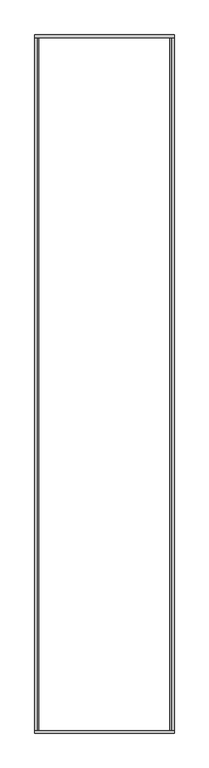
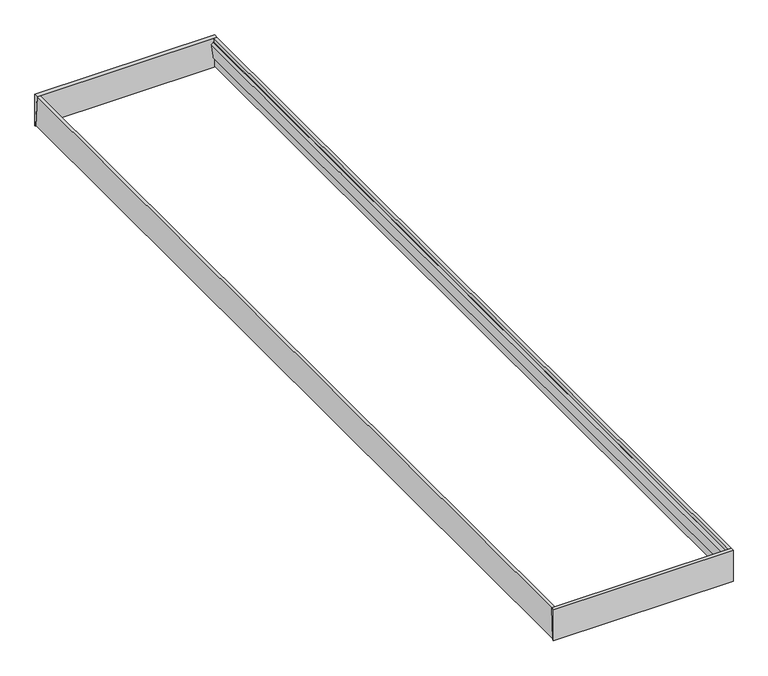
"""IFC4 building model written with IfcOpenShell, lengths in millimetres: beam geometry."""

import ifcopenshell
import ifcopenshell.guid

model = None  # the IFC model being written
_history = None  # IfcOwnerHistory: only IFC2X3 demands one
_inside = {}  # id of a spatial element -> (the spatial element, [elements in it])
_under = {}  # id of a project, library or spatial element -> (it, [spatial elements below it])
_declared = {}  # id of a project -> (the project, [libraries it declares])
_typed = {}  # id of a type object -> (the type object, [elements of that type])
_made_of = {}  # id of a material, layer set ... -> (it, [elements and type objects made of it])


def new_model(schema):
    """Start an empty IFC model of exactly this schema.

    Asked for "IFC4X3", IfcOpenShell would pick the latest addendum, in which some entities
    have other attributes; the version numbers below select the first issue.
    IFC2X3 requires an IfcOwnerHistory on every rooted entity: one is made here for all.
    """
    global model, _history
    if schema == "IFC4X3":
        model = ifcopenshell.file(schema_version=(4, 3, 0, 0))
    else:
        model = ifcopenshell.file(schema=schema)
    _inside.clear()
    _under.clear()
    _declared.clear()
    _typed.clear()
    _made_of.clear()
    _history = None
    if model.schema == "IFC2X3":
        org = make("IfcOrganization", Name="unknown")
        user = make(
            "IfcPersonAndOrganization",
            ThePerson=make("IfcPerson", FamilyName="unknown"),
            TheOrganization=org,
        )
        app = make(
            "IfcApplication",
            ApplicationDeveloper=org,
            Version="unknown",
            ApplicationFullName="unknown",
            ApplicationIdentifier="unknown",
        )
        _history = make(
            "IfcOwnerHistory",
            OwningUser=user,
            OwningApplication=app,
            ChangeAction="ADDED",
            CreationDate=0,
        )
    return model


def make(cls, **values):
    """One entity of the class cls with the attributes given. An attribute that is None is left unset."""
    return model.create_entity(
        cls, **{name: value for name, value in values.items() if value is not None}
    )


def rooted(cls, **values):
    """An entity with a GlobalId (a new one), such as an element, a storey or a relation."""
    return make(cls, GlobalId=ifcopenshell.guid.new(), OwnerHistory=_history, **values)


def si_unit(unit_type, name, prefix=None):
    """IfcSIUnit, for example si_unit("LENGTHUNIT", "METRE", prefix="MILLI")."""
    return make("IfcSIUnit", UnitType=unit_type, Prefix=prefix, Name=name)


def assignment(units):
    """IfcUnitAssignment: the units of a project."""
    return None if units is None else make("IfcUnitAssignment", Units=units)


def point(xyz):
    """IfcCartesianPoint."""
    return None if xyz is None else make("IfcCartesianPoint", Coordinates=xyz)


def direction(xyz):
    """IfcDirection."""
    return None if xyz is None else make("IfcDirection", DirectionRatios=xyz)


def frame(location, z_axis=None, x_axis=None):
    """IfcAxis2Placement3D, a coordinate frame: its origin and axes. An axis left out is left unset."""
    return make(
        "IfcAxis2Placement3D",
        Location=point(location),
        Axis=direction(z_axis),
        RefDirection=direction(x_axis),
    )


def origin():
    """The frame at (0, 0, 0) with its axes left unset."""
    return frame((0.0, 0.0, 0.0))


def place(relative_to, where):
    """IfcLocalPlacement: puts the frame where relative to a parent placement (None: the world)."""
    return make(
        "IfcLocalPlacement", PlacementRelTo=relative_to, RelativePlacement=where
    )


def context(
    kind, dimensions, precision=None, world=None, true_north=None, identifier=None
):
    """IfcGeometricRepresentationContext, for example the 3D "Model" context."""
    return make(
        "IfcGeometricRepresentationContext",
        ContextIdentifier=identifier,
        ContextType=kind,
        CoordinateSpaceDimension=dimensions,
        Precision=precision,
        WorldCoordinateSystem=world,
        TrueNorth=true_north,
    )


def project(units=None, contexts=None):
    """IfcProject with its units and contexts."""
    return rooted(
        "IfcProject",
        Name="project",
        RepresentationContexts=contexts,
        UnitsInContext=assignment(units),
    )


def spatial(cls, under=None, at=None, **own):
    """A site, building, storey or space (cls), placed at a placement, below another one or the project."""
    s = rooted(cls, ObjectPlacement=at, **own)
    if under is not None:
        _under.setdefault(under.id(), (under, []))[1].append(s)
    return s


def polyline(points):
    """IfcPolyline through the points."""
    return make("IfcPolyline", Points=[point(p) for p in points])


def outline(outer, holes=None, kind="AREA"):
    """IfcArbitraryClosedProfileDef: a profile drawn as a closed curve; with holes, ...WithVoids."""
    if holes is None:
        return make("IfcArbitraryClosedProfileDef", ProfileType=kind, OuterCurve=outer)
    return make(
        "IfcArbitraryProfileDefWithVoids",
        ProfileType=kind,
        OuterCurve=outer,
        InnerCurves=holes,
    )


def extrude(swept, where, along, depth):
    """IfcExtrudedAreaSolid: the profile swept, set in the frame where, extruded along a direction by depth."""
    return make(
        "IfcExtrudedAreaSolid",
        SweptArea=swept,
        Position=where,
        ExtrudedDirection=direction(along),
        Depth=depth,
    )


def shape(context_of_items, identifier, shape_type, items):
    """IfcShapeRepresentation: the items that make up one representation, for example the "Body"."""
    return make(
        "IfcShapeRepresentation",
        ContextOfItems=context_of_items,
        RepresentationIdentifier=identifier,
        RepresentationType=shape_type,
        Items=items,
    )


def source(mapping_origin, context_of_items, identifier, shape_type, items):
    """IfcRepresentationMap: a shape defined once, which mapped items show again and again."""
    return make(
        "IfcRepresentationMap",
        MappingOrigin=mapping_origin,
        MappedRepresentation=shape(context_of_items, identifier, shape_type, items),
    )


def transform(
    local_origin,
    x_axis=None,
    y_axis=None,
    z_axis=None,
    scale=None,
    scale2=None,
    scale3=None,
    uniform=True,
):
    """IfcCartesianTransformationOperator3D, or its non-uniform kind. x_axis, y_axis, z_axis: its Axis1, 2, 3."""
    if uniform:
        return make(
            "IfcCartesianTransformationOperator3D",
            Axis1=direction(x_axis),
            Axis2=direction(y_axis),
            LocalOrigin=point(local_origin),
            Scale=scale,
            Axis3=direction(z_axis),
        )
    return make(
        "IfcCartesianTransformationOperator3DnonUniform",
        Axis1=direction(x_axis),
        Axis2=direction(y_axis),
        LocalOrigin=point(local_origin),
        Scale=scale,
        Axis3=direction(z_axis),
        Scale2=scale2,
        Scale3=scale3,
    )


def mapped(mapping_source, mapping_target):
    """IfcMappedItem: shows the shape of a source again, moved by a transform."""
    return make(
        "IfcMappedItem", MappingSource=mapping_source, MappingTarget=mapping_target
    )


def made_of(thing, what):
    """Note that an element or type object is made of a material, layer set ...; save() writes the relation."""
    if what is not None:
        _made_of.setdefault(what.id(), (what, []))[1].append(thing)
    return thing


def element(
    cls,
    number,
    at=None,
    inside=None,
    cuts=None,
    type_object=None,
    material=None,
    context=None,
    identifier="Body",
    shape_type=None,
    held_by="IfcProductDefinitionShape",
    body=None,
    shapes=None,
    **own,
):
    """One element of the class cls, such as IfcWall. Its Tag is "e" and its number.

    at: its placement. inside: the storey or other place that contains it. cuts: it is an
    opening in that element (IfcRelVoidsElement). A single representation is given by context,
    identifier, shape_type and body (its items); several are given by shapes. held_by: the class
    of the entity that holds the representations. save() writes the other relations.
    """
    e = rooted(cls, Tag="e%d" % number, ObjectPlacement=at, **own)
    if body is not None:
        shapes = [shape(context, identifier, shape_type, body)]
    if shapes is not None:
        e.Representation = make(held_by, Representations=shapes)
    if inside is not None:
        _inside.setdefault(inside.id(), (inside, []))[1].append(e)
    if cuts is not None:
        rooted(
            "IfcRelVoidsElement", RelatingBuildingElement=cuts, RelatedOpeningElement=e
        )
    if type_object is not None:
        _typed.setdefault(type_object.id(), (type_object, []))[1].append(e)
    return made_of(e, material)


def aggregate(whole, parts):
    """IfcRelAggregates: a whole, such as a stair, and the parts it consists of."""
    return rooted("IfcRelAggregates", RelatingObject=whole, RelatedObjects=parts)


def save(model, path):
    """Write the relations noted so far, then the file.

    IfcRelAggregates (storeys below a building ...), IfcRelContainedInSpatialStructure (elements
    in a storey), IfcRelDefinesByType, IfcRelAssociatesMaterial and IfcRelDeclares: one each for
    every whole, place, type object, material and project.
    """
    for whole, parts in _under.values():
        aggregate(whole, parts)
    for where, things in _inside.values():
        rooted(
            "IfcRelContainedInSpatialStructure",
            RelatedElements=things,
            RelatingStructure=where,
        )
    for kind, things in _typed.values():
        rooted("IfcRelDefinesByType", RelatedObjects=things, RelatingType=kind)
    for what, things in _made_of.values():
        rooted("IfcRelAssociatesMaterial", RelatedObjects=things, RelatingMaterial=what)
    for by, libraries in _declared.values():
        rooted("IfcRelDeclares", RelatingContext=by, RelatedDefinitions=libraries)
    model.write(path)


def beam_4bdb8aa8(model_context):
    return source(origin(), model_context, "Body", "SweptSolid", [
        extrude(outline(polyline([(5965.0, 220.0), (5990.0, 220.0), (5990.0, 0.0), (5980.0, 0.0), (5965.0, 220.0)])), frame((5.0, 0.0, 0.0), z_axis=(1.0, 0.0, 0.0), x_axis=(0.0, 1.0, 0.0)), (0.0, 0.0, 1.0), 1200.0),
        extrude(outline(polyline([(10.0, 220.0), (0.0, 0.0), (-10.0, 0.0), (-10.0, 220.0), (10.0, 220.0)])), frame((5.0, 0.0, 0.0), z_axis=(1.0, 0.0, 0.0), x_axis=(0.0, 1.0, 0.0)), (0.0, 0.0, 1.0), 1200.0),
        extrude(outline(polyline([(71.0129189, 1195.4251599), (6.9651578, 1200.0), (6.9651578, 1205.0), (220.0, 1205.0), (220.0, 1184.7832256), (190.4202344, 1186.896066), (190.2064933, 1183.9036899), (177.1682831, 1170.0), (74.1450488, 1187.1810542), (70.5114493, 1192.4533359), (71.0129189, 1195.4251599)])), frame((0.0, 0.0, 0.0), z_axis=(0.0, 1.0, 0.0), x_axis=(0.0, 0.0, 1.0)), (0.0, 0.0, 1.0), 5980.0),
        extrude(outline(polyline([(71.0129189, 14.371614), (70.5114493, 17.3434381), (74.1450488, 22.6157198), (177.1682831, 40.0), (190.2064933, 25.8930841), (190.4202344, 22.900708), (220.0, 25.0135484), (220.0, 5.0), (7.0, 5.0), (7.0, 10.0), (71.0129189, 14.371614)])), frame((0.0, 0.0, 0.0), z_axis=(0.0, 1.0, 0.0), x_axis=(0.0, 0.0, 1.0)), (0.0, 0.0, 1.0), 5980.0),
    ])


if __name__ == "__main__":
    model = new_model("IFC4")
    model_context = context("Model", 3, world=origin())
    ifc_project = project(units=[si_unit("LENGTHUNIT", "METRE", prefix="MILLI")], contexts=[model_context])
    site = spatial("IfcSite", under=ifc_project)
    building = spatial("IfcBuilding", under=site)
    placement = place(None, origin())
    beam_shape = beam_4bdb8aa8(model_context)
    element("IfcBeam", 1, at=placement, inside=building, context=model_context, shape_type="MappedRepresentation", body=[
        mapped(beam_shape, transform((0.0, 0.0, 0.0), x_axis=(1.0, 0.0, 0.0), y_axis=(0.0, 1.0, 0.0), z_axis=(0.0, 0.0, 1.0))),
    ])
    save(model, "model.ifc")
